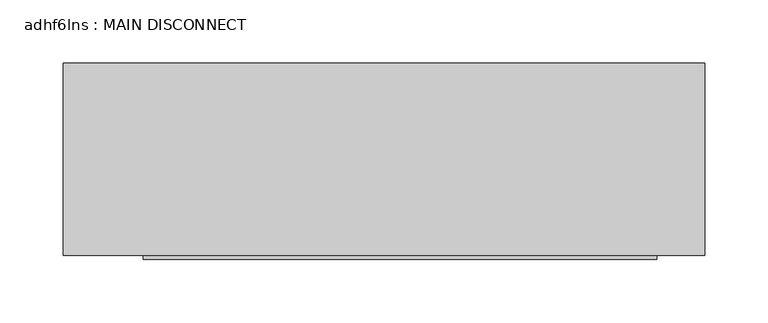
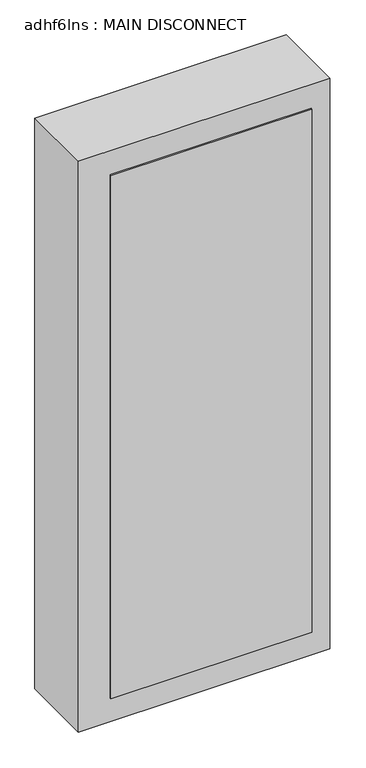
"""IFC4 building model written with IfcOpenShell, lengths in millimetres: proxy geometry, adhf6lns : MAIN DISCONNECT."""

from ifc_helpers import new_model, si_unit, frame, origin, place, context, project, spatial, polyline, outline, extrude, source, transform, mapped, element, save


def adhf6lns_main_disconnect_c4c9719f(model_context):
    return source(origin(), model_context, "Body", "SweptSolid", [
        extrude(outline(polyline([(-11.1306378, -61.0970561), (395.2693622, -61.0970561), (395.2693622, -64.3990561), (-11.1306378, -64.3990561), (-11.1306378, -61.0970561)])), frame((0.0, 0.0, 965.2), z_axis=(0.0, 0.0, 1.0), x_axis=(1.0, 0.0, 0.0)), (0.0, 0.0, 1.0), 1117.6),
        extrude(outline(polyline([(433.3693622, -61.0970561), (-74.6306378, -61.0970561), (-74.6306378, 91.3029439), (433.3693622, 91.3029439), (433.3693622, -61.0970561)])), frame((0.0, 0.0, 914.4), z_axis=(0.0, 0.0, 1.0), x_axis=(1.0, 0.0, 0.0)), (0.0, 0.0, 1.0), 1219.2),
    ])


if __name__ == "__main__":
    model = new_model("IFC4")
    model_context = context("Model", 3, world=origin())
    ifc_project = project(units=[si_unit("LENGTHUNIT", "METRE", prefix="MILLI")], contexts=[model_context])
    site = spatial("IfcSite", under=ifc_project)
    building = spatial("IfcBuilding", under=site)
    placement = place(None, origin())
    adhf6lns_main_disconnect_shape = adhf6lns_main_disconnect_c4c9719f(model_context)
    element("IfcBuildingElementProxy", 1, Name="adhf6lns : MAIN DISCONNECT", ObjectType="adhf6lns : MAIN DISCONNECT", at=placement, inside=building, context=model_context, shape_type="MappedRepresentation", body=[
        mapped(adhf6lns_main_disconnect_shape, transform((0.0, 0.0, 0.0), x_axis=(1.0, 0.0, 0.0), y_axis=(0.0, 1.0, 0.0), z_axis=(0.0, 0.0, 1.0))),
    ])
    save(model, "model.ifc")
